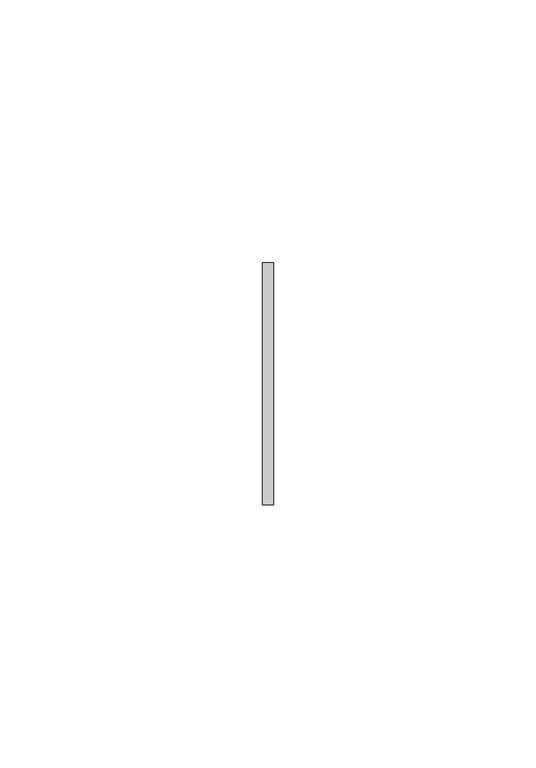
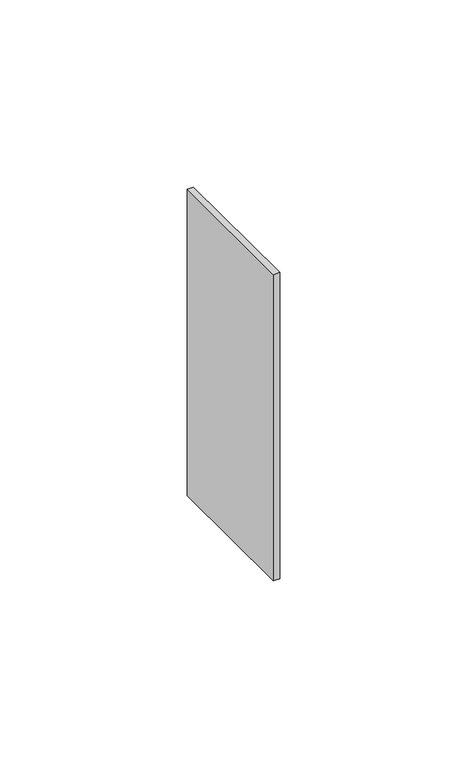
"""IFC4 building model written with IfcOpenShell, lengths in millimetres: member geometry."""

from ifc_helpers import new_model, si_unit, frame, origin, place, context, project, spatial, polyline, outline, extrude, source, transform, mapped, element, save


def member_d62ea1e3(model_context):
    return source(origin(), model_context, "Body", "SweptSolid", [
        extrude(outline(polyline([(1.0, 23.0), (1.0, -23.0), (-1.0, -23.0), (-1.0, 23.0), (1.0, 23.0)])), frame((0.0, 0.0, -99.9999997), z_axis=(0.0, 0.0, 1.0), x_axis=(1.0, 0.0, 0.0)), (0.0, 0.0, 1.0), 99.9999997),
    ])


if __name__ == "__main__":
    model = new_model("IFC4")
    model_context = context("Model", 3, world=origin())
    ifc_project = project(units=[si_unit("LENGTHUNIT", "METRE", prefix="MILLI")], contexts=[model_context])
    site = spatial("IfcSite", under=ifc_project)
    building = spatial("IfcBuilding", under=site)
    placement = place(None, origin())
    member_shape = member_d62ea1e3(model_context)
    element("IfcMember", 1, at=placement, inside=building, context=model_context, shape_type="MappedRepresentation", body=[
        mapped(member_shape, transform((0.0, 0.0, 0.0), x_axis=(1.0, 0.0, 0.0), y_axis=(0.0, 1.0, 0.0), z_axis=(0.0, 0.0, 1.0))),
    ])
    save(model, "model.ifc")
